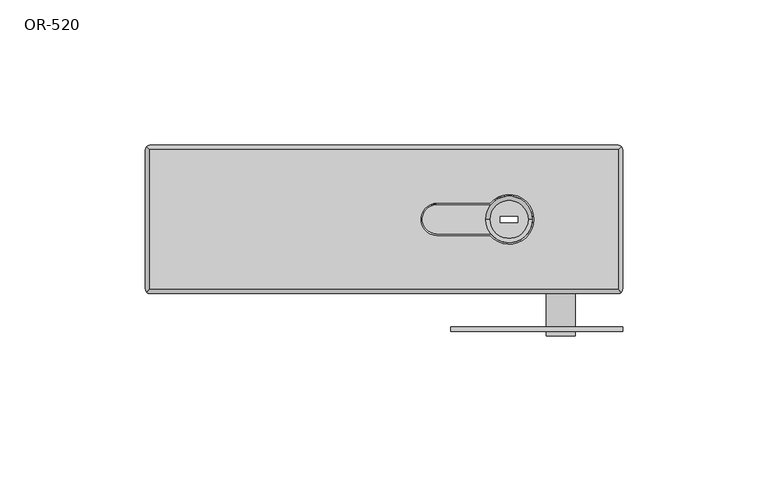
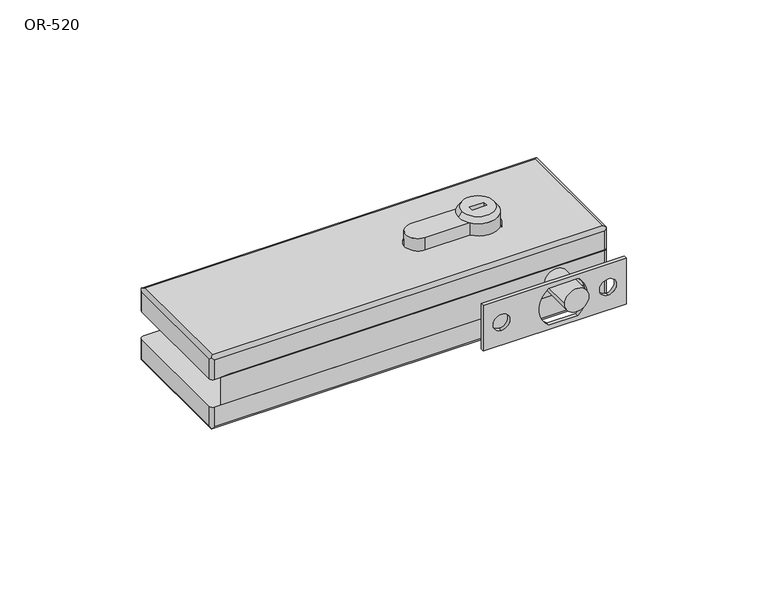
"""IFC4 building model written with IfcOpenShell, lengths in millimetres: proxy geometry, OR-520."""

import ifcopenshell
import ifcopenshell.guid

model = None  # the IFC model being written
_history = None  # IfcOwnerHistory: only IFC2X3 demands one
_inside = {}  # id of a spatial element -> (the spatial element, [elements in it])
_under = {}  # id of a project, library or spatial element -> (it, [spatial elements below it])
_declared = {}  # id of a project -> (the project, [libraries it declares])
_typed = {}  # id of a type object -> (the type object, [elements of that type])
_made_of = {}  # id of a material, layer set ... -> (it, [elements and type objects made of it])


def new_model(schema):
    """Start an empty IFC model of exactly this schema.

    Asked for "IFC4X3", IfcOpenShell would pick the latest addendum, in which some entities
    have other attributes; the version numbers below select the first issue.
    IFC2X3 requires an IfcOwnerHistory on every rooted entity: one is made here for all.
    """
    global model, _history
    if schema == "IFC4X3":
        model = ifcopenshell.file(schema_version=(4, 3, 0, 0))
    else:
        model = ifcopenshell.file(schema=schema)
    _inside.clear()
    _under.clear()
    _declared.clear()
    _typed.clear()
    _made_of.clear()
    _history = None
    if model.schema == "IFC2X3":
        org = make("IfcOrganization", Name="unknown")
        user = make(
            "IfcPersonAndOrganization",
            ThePerson=make("IfcPerson", FamilyName="unknown"),
            TheOrganization=org,
        )
        app = make(
            "IfcApplication",
            ApplicationDeveloper=org,
            Version="unknown",
            ApplicationFullName="unknown",
            ApplicationIdentifier="unknown",
        )
        _history = make(
            "IfcOwnerHistory",
            OwningUser=user,
            OwningApplication=app,
            ChangeAction="ADDED",
            CreationDate=0,
        )
    return model


def make(cls, **values):
    """One entity of the class cls with the attributes given. An attribute that is None is left unset."""
    return model.create_entity(
        cls, **{name: value for name, value in values.items() if value is not None}
    )


def rooted(cls, **values):
    """An entity with a GlobalId (a new one), such as an element, a storey or a relation."""
    return make(cls, GlobalId=ifcopenshell.guid.new(), OwnerHistory=_history, **values)


def si_unit(unit_type, name, prefix=None):
    """IfcSIUnit, for example si_unit("LENGTHUNIT", "METRE", prefix="MILLI")."""
    return make("IfcSIUnit", UnitType=unit_type, Prefix=prefix, Name=name)


def assignment(units):
    """IfcUnitAssignment: the units of a project."""
    return None if units is None else make("IfcUnitAssignment", Units=units)


def point(xyz):
    """IfcCartesianPoint."""
    return None if xyz is None else make("IfcCartesianPoint", Coordinates=xyz)


def direction(xyz):
    """IfcDirection."""
    return None if xyz is None else make("IfcDirection", DirectionRatios=xyz)


def frame(location, z_axis=None, x_axis=None):
    """IfcAxis2Placement3D, a coordinate frame: its origin and axes. An axis left out is left unset."""
    return make(
        "IfcAxis2Placement3D",
        Location=point(location),
        Axis=direction(z_axis),
        RefDirection=direction(x_axis),
    )


def frame_2d(location, x_axis=None):
    """IfcAxis2Placement2D, a coordinate frame in the plane: its origin and x axis."""
    return make(
        "IfcAxis2Placement2D", Location=point(location), RefDirection=direction(x_axis)
    )


def origin():
    """The frame at (0, 0, 0) with its axes left unset."""
    return frame((0.0, 0.0, 0.0))


def place(relative_to, where):
    """IfcLocalPlacement: puts the frame where relative to a parent placement (None: the world)."""
    return make(
        "IfcLocalPlacement", PlacementRelTo=relative_to, RelativePlacement=where
    )


def context(
    kind, dimensions, precision=None, world=None, true_north=None, identifier=None
):
    """IfcGeometricRepresentationContext, for example the 3D "Model" context."""
    return make(
        "IfcGeometricRepresentationContext",
        ContextIdentifier=identifier,
        ContextType=kind,
        CoordinateSpaceDimension=dimensions,
        Precision=precision,
        WorldCoordinateSystem=world,
        TrueNorth=true_north,
    )


def project(units=None, contexts=None):
    """IfcProject with its units and contexts."""
    return rooted(
        "IfcProject",
        Name="project",
        RepresentationContexts=contexts,
        UnitsInContext=assignment(units),
    )


def spatial(cls, under=None, at=None, **own):
    """A site, building, storey or space (cls), placed at a placement, below another one or the project."""
    s = rooted(cls, ObjectPlacement=at, **own)
    if under is not None:
        _under.setdefault(under.id(), (under, []))[1].append(s)
    return s


def polyline(points):
    """IfcPolyline through the points."""
    return make("IfcPolyline", Points=[point(p) for p in points])


def circle_curve(where, radius):
    """IfcCircle in the frame where."""
    return make("IfcCircle", Position=where, Radius=radius)


def ellipse_curve(where, semi_axis1, semi_axis2):
    """IfcEllipse in the frame where."""
    return make(
        "IfcEllipse", Position=where, SemiAxis1=semi_axis1, SemiAxis2=semi_axis2
    )


def trimmed(basis, trim1, trim2, sense, master):
    """IfcTrimmedCurve: the piece of a basis curve between two trims."""
    return make(
        "IfcTrimmedCurve",
        BasisCurve=basis,
        Trim1=trim1,
        Trim2=trim2,
        SenseAgreement=sense,
        MasterRepresentation=master,
    )


def segment(curve, same_sense, transition):
    """IfcCompositeCurveSegment."""
    return make(
        "IfcCompositeCurveSegment",
        Transition=transition,
        SameSense=same_sense,
        ParentCurve=curve,
    )


def composite_curve(segments, self_intersect=None):
    """IfcCompositeCurve: segments joined end to end."""
    return make("IfcCompositeCurve", Segments=segments, SelfIntersect=self_intersect)


def outline(outer, holes=None, kind="AREA"):
    """IfcArbitraryClosedProfileDef: a profile drawn as a closed curve; with holes, ...WithVoids."""
    if holes is None:
        return make("IfcArbitraryClosedProfileDef", ProfileType=kind, OuterCurve=outer)
    return make(
        "IfcArbitraryProfileDefWithVoids",
        ProfileType=kind,
        OuterCurve=outer,
        InnerCurves=holes,
    )


def extrude(swept, where, along, depth):
    """IfcExtrudedAreaSolid: the profile swept, set in the frame where, extruded along a direction by depth."""
    return make(
        "IfcExtrudedAreaSolid",
        SweptArea=swept,
        Position=where,
        ExtrudedDirection=direction(along),
        Depth=depth,
    )


def shape(context_of_items, identifier, shape_type, items):
    """IfcShapeRepresentation: the items that make up one representation, for example the "Body"."""
    return make(
        "IfcShapeRepresentation",
        ContextOfItems=context_of_items,
        RepresentationIdentifier=identifier,
        RepresentationType=shape_type,
        Items=items,
    )


def source(mapping_origin, context_of_items, identifier, shape_type, items):
    """IfcRepresentationMap: a shape defined once, which mapped items show again and again."""
    return make(
        "IfcRepresentationMap",
        MappingOrigin=mapping_origin,
        MappedRepresentation=shape(context_of_items, identifier, shape_type, items),
    )


def transform(
    local_origin,
    x_axis=None,
    y_axis=None,
    z_axis=None,
    scale=None,
    scale2=None,
    scale3=None,
    uniform=True,
):
    """IfcCartesianTransformationOperator3D, or its non-uniform kind. x_axis, y_axis, z_axis: its Axis1, 2, 3."""
    if uniform:
        return make(
            "IfcCartesianTransformationOperator3D",
            Axis1=direction(x_axis),
            Axis2=direction(y_axis),
            LocalOrigin=point(local_origin),
            Scale=scale,
            Axis3=direction(z_axis),
        )
    return make(
        "IfcCartesianTransformationOperator3DnonUniform",
        Axis1=direction(x_axis),
        Axis2=direction(y_axis),
        LocalOrigin=point(local_origin),
        Scale=scale,
        Axis3=direction(z_axis),
        Scale2=scale2,
        Scale3=scale3,
    )


def mapped(mapping_source, mapping_target):
    """IfcMappedItem: shows the shape of a source again, moved by a transform."""
    return make(
        "IfcMappedItem", MappingSource=mapping_source, MappingTarget=mapping_target
    )


def made_of(thing, what):
    """Note that an element or type object is made of a material, layer set ...; save() writes the relation."""
    if what is not None:
        _made_of.setdefault(what.id(), (what, []))[1].append(thing)
    return thing


def element(
    cls,
    number,
    at=None,
    inside=None,
    cuts=None,
    type_object=None,
    material=None,
    context=None,
    identifier="Body",
    shape_type=None,
    held_by="IfcProductDefinitionShape",
    body=None,
    shapes=None,
    **own,
):
    """One element of the class cls, such as IfcWall. Its Tag is "e" and its number.

    at: its placement. inside: the storey or other place that contains it. cuts: it is an
    opening in that element (IfcRelVoidsElement). A single representation is given by context,
    identifier, shape_type and body (its items); several are given by shapes. held_by: the class
    of the entity that holds the representations. save() writes the other relations.
    """
    e = rooted(cls, Tag="e%d" % number, ObjectPlacement=at, **own)
    if body is not None:
        shapes = [shape(context, identifier, shape_type, body)]
    if shapes is not None:
        e.Representation = make(held_by, Representations=shapes)
    if inside is not None:
        _inside.setdefault(inside.id(), (inside, []))[1].append(e)
    if cuts is not None:
        rooted(
            "IfcRelVoidsElement", RelatingBuildingElement=cuts, RelatedOpeningElement=e
        )
    if type_object is not None:
        _typed.setdefault(type_object.id(), (type_object, []))[1].append(e)
    return made_of(e, material)


def aggregate(whole, parts):
    """IfcRelAggregates: a whole, such as a stair, and the parts it consists of."""
    return rooted("IfcRelAggregates", RelatingObject=whole, RelatedObjects=parts)


def save(model, path):
    """Write the relations noted so far, then the file.

    IfcRelAggregates (storeys below a building ...), IfcRelContainedInSpatialStructure (elements
    in a storey), IfcRelDefinesByType, IfcRelAssociatesMaterial and IfcRelDeclares: one each for
    every whole, place, type object, material and project.
    """
    for whole, parts in _under.values():
        aggregate(whole, parts)
    for where, things in _inside.values():
        rooted(
            "IfcRelContainedInSpatialStructure",
            RelatedElements=things,
            RelatingStructure=where,
        )
    for kind, things in _typed.values():
        rooted("IfcRelDefinesByType", RelatedObjects=things, RelatingType=kind)
    for what, things in _made_of.values():
        rooted("IfcRelAssociatesMaterial", RelatedObjects=things, RelatingMaterial=what)
    for by, libraries in _declared.values():
        rooted("IfcRelDeclares", RelatingContext=by, RelatedDefinitions=libraries)
    model.write(path)


def plane_surface(at):
    """IfcPlane: the flat surface through the origin of the frame at, square to its z axis."""
    return make("IfcPlane", Position=at)


def cylinder_surface(at, radius):
    """IfcCylindricalSurface: all points at the distance radius from the z axis of the frame at."""
    return make("IfcCylindricalSurface", Position=at, Radius=radius)


def revolved_surface(curve, axis_point, axis_direction):
    """IfcSurfaceOfRevolution: the curve turned about the line through axis_point along axis_direction."""
    return make(
        "IfcSurfaceOfRevolution",
        SweptCurve=make("IfcArbitraryOpenProfileDef", ProfileType="CURVE", Curve=curve),
        AxisPosition=make("IfcAxis1Placement", Location=point(axis_point), Axis=direction(axis_direction)),
    )


def advanced_brep(points, edges, surfaces, faces):
    """IfcAdvancedBrep: a solid bounded by faces that lie on surfaces and meet in shared edges.

    An edge is (start, end): straight between two places in points (the first is 0);
    or (start, end, curve); or (start, end, curve, False) where it runs against its curve.
    A face is (place in surfaces, loops), or (place, loops, False) where it looks against
    its surface's normal. A loop lists edges by number (the first is 1), with a minus sign
    where the edge is run from its end to its start. The first loop is the outer one.
    """
    corners = [point(p) for p in points]
    vertices = [make("IfcVertexPoint", VertexGeometry=c) for c in corners]
    made = []
    for start, end, *more in edges:
        made.append(
            make(
                "IfcEdgeCurve",
                EdgeStart=vertices[start],
                EdgeEnd=vertices[end],
                EdgeGeometry=more[0] if more else make("IfcPolyline", Points=[corners[start], corners[end]]),
                SameSense=more[1] if len(more) > 1 else True,
            )
        )
    hull = []
    for where, loops, *sense in faces:
        bounds = []
        for j, loop in enumerate(loops):
            ring = [make("IfcOrientedEdge", EdgeElement=made[abs(k) - 1], Orientation=k > 0) for k in loop]
            bounds.append(
                make(
                    "IfcFaceOuterBound" if j == 0 else "IfcFaceBound",
                    Bound=make("IfcEdgeLoop", EdgeList=ring),
                    Orientation=True,
                )
            )
        hull.append(make("IfcAdvancedFace", Bounds=bounds, FaceSurface=surfaces[where], SameSense=sense[0] if sense else True))
    return make("IfcAdvancedBrep", Outer=make("IfcClosedShell", CfsFaces=hull))


def or_520_e2d5bc7b(model_context):
    return source(origin(), model_context, "Body", "SolidModel", [
        extrude(outline(polyline([(-16.0, 81.0), (4.0, 81.0), (4.0, 22.0), (-16.0, 22.0), (-16.0, 81.0)]), holes=[composite_curve([segment(trimmed(circle_curve(frame_2d((-6.0, 29.5)), 3.5), [point((-2.5, 29.5))], [point((-9.5, 29.5))], True, "CARTESIAN"), True, "CONTINUOUS"), segment(trimmed(circle_curve(frame_2d((-6.0, 29.5)), 3.5), [point((-9.5, 29.5))], [point((-2.5, 29.5))], True, "CARTESIAN"), True, "CONTINUOUS")], self_intersect=False), composite_curve([segment(trimmed(circle_curve(frame_2d((-6.0, 73.5)), 3.5), [point((-2.5, 73.5))], [point((-9.5, 73.5))], True, "CARTESIAN"), True, "CONTINUOUS"), segment(trimmed(circle_curve(frame_2d((-6.0, 73.5)), 3.5), [point((-9.5, 73.5))], [point((-2.5, 73.5))], True, "CARTESIAN"), True, "CONTINUOUS")], self_intersect=False), composite_curve([segment(trimmed(circle_curve(frame_2d((-6.0, 55.0)), 10.0), [point((2.0, 61.0))], [point((-14.0, 61.0))], True, "CARTESIAN"), True, "CONTINUOUS"), segment(polyline([(-14.0, 61.0), (-14.0, 49.0)]), True, "CONTINUOUS"), segment(trimmed(circle_curve(frame_2d((-6.0, 55.0)), 10.0), [point((-14.0, 49.0))], [point((2.0, 49.0))], True, "CARTESIAN"), True, "CONTINUOUS"), segment(polyline([(2.0, 49.0), (2.0, 61.0)]), True, "CONTINUOUS")], self_intersect=False)]), frame((0.0, -38.5, 0.0), z_axis=(0.0, 1.0, 0.0), x_axis=(0.0, 0.0, 1.0)), (0.0, 0.0, 1.0), 1.5),
        extrude(outline(composite_curve([segment(trimmed(circle_curve(frame_2d((-6.0, 59.7012095)), 5.0), [point((-6.0, 54.7012095))], [point((-6.0, 64.7012095))], False, "CARTESIAN"), True, "CONTINUOUS"), segment(trimmed(circle_curve(frame_2d((-6.0, 59.7012095)), 5.0), [point((-6.0, 64.7012095))], [point((-6.0, 54.7012095))], False, "CARTESIAN"), True, "CONTINUOUS")], self_intersect=False)), frame((0.0, -40.0, 0.0), z_axis=(0.0, 1.0, 0.0), x_axis=(0.0, 0.0, 1.0)), (0.0, 0.0, 1.0), 14.5),
        advanced_brep(
        [(42.0, 6.5, -32.0), (42.0, -6.5, -32.0), (45.0, 1.0, -32.0), (39.0, 1.0, -32.0), (39.0, -1.0, -32.0), (45.0, -1.0, -32.0), (42.0, 8.0, -30.0), (42.0, -8.0, -30.0), (39.0, 1.0, -30.0), (45.0, 1.0, -30.0), (45.0, -1.0, -30.0), (39.0, -1.0, -30.0)],
        [
            (0, 1, circle_curve(frame((42.0, 0.0, -32.0), z_axis=(0.0, 0.0, -1.0), x_axis=(0.0, 1.0, 0.0)), 6.5)),
            (1, 0, circle_curve(frame((42.0, 0.0, -32.0), z_axis=(0.0, 0.0, -1.0), x_axis=(0.0, -1.0, 0.0)), 6.5)),
            (2, 3),
            (3, 4),
            (4, 5),
            (5, 2),
            (6, 7, circle_curve(frame((42.0, 0.0, -30.0), z_axis=(0.0, 0.0, 1.0), x_axis=(0.0, -1.0, 0.0)), 8.0)),
            (7, 6, circle_curve(frame((42.0, 0.0, -30.0), z_axis=(0.0, 0.0, 1.0), x_axis=(0.0, 1.0, 0.0)), 8.0)),
            (8, 9),
            (9, 10),
            (10, 11),
            (11, 8),
            (1, 7),
            (6, 0),
            (2, 9),
            (8, 3),
            (11, 4),
            (10, 5),
        ],
        [
            plane_surface(frame((42.0, 0.0, -32.0), z_axis=(0.0, 0.0, -1.0), x_axis=(-1.0, 0.0, 0.0))),
            plane_surface(frame((42.0, 0.0, -30.0), z_axis=(0.0, 0.0, 1.0), x_axis=(-1.0, 0.0, 0.0))),
            revolved_surface(polyline([(42.0, -6.5000000046875, -32.0), (42.0, -8.0, -30.0)]), (42.0, 0.0, -40.6666667), (0.0, 0.0, 1.0)),
            revolved_surface(polyline([(42.0, 6.5000000046875, -32.0), (42.0, 8.0, -30.0)]), (42.0, 0.0, -40.6666667), (0.0, 0.0, 1.0)),
            plane_surface(frame((45.0, 1.0, 17.0), z_axis=(0.0, -1.0, 0.0), x_axis=(0.0, 0.0, -1.0))),
            plane_surface(frame((39.0, 1.0, 17.0), z_axis=(1.0, 0.0, 0.0), x_axis=(0.0, 0.0, -1.0))),
            plane_surface(frame((39.0, -1.0, 17.0), z_axis=(0.0, 1.0, 0.0), x_axis=(0.0, 0.0, -1.0))),
            plane_surface(frame((45.0, -1.0, 17.0), z_axis=(-1.0, 0.0, 0.0), x_axis=(0.0, 0.0, -1.0))),
        ],
        [
            (0, [[1, 2], [3, 4, 5, 6]]),
            (1, [[7, 8], [9, 10, 11, 12]]),
            (2, [[-2, 13, -7, 14]]),
            (3, [[-1, -14, -8, -13]]),
            (4, [[15, -9, 16, -3]]),
            (5, [[-16, -12, 17, -4]]),
            (6, [[-17, -11, 18, -5]]),
            (7, [[-15, -6, -18, -10]]),
        ],
    ),
        advanced_brep(
        [(35.5, 0.0, 17.0), (48.5, 0.0, 17.0), (39.0, 1.0, 17.0), (45.0, 1.0, 17.0), (45.0, -1.0, 17.0), (39.0, -1.0, 17.0), (34.0, 0.0, 15.0), (50.0, 0.0, 15.0), (45.0, 1.0, 15.0), (39.0, 1.0, 15.0), (39.0, -1.0, 15.0), (45.0, -1.0, 15.0)],
        [
            (0, 1, circle_curve(frame((42.0, 0.0, 17.0), z_axis=(0.0, 0.0, 1.0), x_axis=(-1.0, 0.0, 0.0)), 6.5)),
            (1, 0, circle_curve(frame((42.0, 0.0, 17.0), z_axis=(0.0, 0.0, 1.0), x_axis=(1.0, 0.0, 0.0)), 6.5)),
            (2, 3),
            (3, 4),
            (4, 5),
            (5, 2),
            (6, 7, circle_curve(frame((42.0, 0.0, 15.0), z_axis=(0.0, 0.0, -1.0), x_axis=(1.0, 0.0, 0.0)), 8.0)),
            (7, 6, circle_curve(frame((42.0, 0.0, 15.0), z_axis=(0.0, 0.0, -1.0), x_axis=(-1.0, 0.0, 0.0)), 8.0)),
            (8, 9),
            (9, 10),
            (10, 11),
            (11, 8),
            (0, 6),
            (7, 1),
            (8, 3),
            (2, 9),
            (5, 10),
            (4, 11),
        ],
        [
            plane_surface(frame((42.0, 0.0, 17.0), z_axis=(0.0, 0.0, 1.0), x_axis=(0.0, -1.0, 0.0))),
            plane_surface(frame((42.0, 0.0, 15.0), z_axis=(0.0, 0.0, -1.0), x_axis=(0.0, -1.0, 0.0))),
            revolved_surface(polyline([(35.4999999953125, 0.0, 17.0), (34.0, 0.0, 15.0)]), (42.0, 0.0, 25.6666667), (0.0, 0.0, -1.0)),
            revolved_surface(polyline([(48.5000000046875, 0.0, 17.0), (50.0, 0.0, 15.0)]), (42.0, 0.0, 25.6666667), (0.0, 0.0, -1.0)),
            plane_surface(frame((45.0, 1.0, 17.0), z_axis=(0.0, -1.0, 0.0), x_axis=(0.0, 0.0, -1.0))),
            plane_surface(frame((39.0, 1.0, 17.0), z_axis=(1.0, 0.0, 0.0), x_axis=(0.0, 0.0, -1.0))),
            plane_surface(frame((39.0, -1.0, 17.0), z_axis=(0.0, 1.0, 0.0), x_axis=(0.0, 0.0, -1.0))),
            plane_surface(frame((45.0, -1.0, 17.0), z_axis=(-1.0, 0.0, 0.0), x_axis=(0.0, 0.0, -1.0))),
        ],
        [
            (0, [[1, 2], [3, 4, 5, 6]]),
            (1, [[7, 8], [9, 10, 11, 12]]),
            (2, [[-1, 13, -8, 14]]),
            (3, [[-2, -14, -7, -13]]),
            (4, [[15, -3, 16, -9]]),
            (5, [[-16, -6, 17, -10]]),
            (6, [[-17, -5, 18, -11]]),
            (7, [[-15, -12, -18, -4]]),
        ],
    ),
        extrude(outline(composite_curve([segment(polyline([(17.2, 5.0), (35.755002, 5.0)]), True, "CONTINUOUS"), segment(trimmed(circle_curve(frame_2d((42.0, 0.0)), 8.0), [point((35.755002, 5.0))], [point((35.755002, -5.0))], False, "CARTESIAN"), True, "CONTINUOUS"), segment(polyline([(35.755002, -5.0), (17.2, -5.0)]), True, "CONTINUOUS"), segment(trimmed(circle_curve(frame_2d((17.2, 0.0)), 5.0), [point((17.2, -5.0))], [point((17.2, 5.0))], False, "CARTESIAN"), True, "CONTINUOUS")], self_intersect=False), holes=[polyline([(45.0, 1.0), (39.0, 1.0), (39.0, -1.0), (45.0, -1.0), (45.0, 1.0)])]), frame((0.0, 0.0, -30.0), z_axis=(0.0, 0.0, 1.0), x_axis=(1.0, 0.0, 0.0)), (0.0, 0.0, 1.0), 45.0),
        advanced_brep(
        [(13.9895431, 11.5199676, 0.0), (-40.1444524, -9.5726166, 0.0), (-79.0, -25.5, 0.0), (79.5, -25.5, 0.0), (81.0, -24.0, 0.0), (81.0, 11.5199676, 0.0), (17.2, 5.5, 0.0), (35.5192593, 5.5, 0.0), (35.5192593, -5.5, 0.0), (17.2, -5.5, 0.0), (13.9895431, 11.5199676, -12.0), (81.0, 11.5199676, -12.0), (81.0, -24.0, -12.0), (79.5, -25.5, -12.0), (-79.0, -25.5, -12.0), (-40.1444524, -9.5726166, -12.0), (35.5192593, 5.5, -12.0), (17.2, 5.5, -12.0), (17.2, -5.5, -12.0), (35.5192593, -5.5, -12.0)],
        [
            (0, 1, circle_curve(frame((13.9895431, -68.4936178, 0.0), z_axis=(0.0, 0.0, 1.0), x_axis=(1.0, 0.0, 0.0)), 80.0135854)),
            (1, 2, circle_curve(frame((-78.8529269, 29.4998034, 0.0), z_axis=(0.0, 0.0, -1.0), x_axis=(1.0, 0.0, 0.0)), 55.0)),
            (2, 3),
            (3, 4, circle_curve(frame((79.5, -24.0, 0.0), z_axis=(0.0, 0.0, 1.0), x_axis=(0.0, 1.0, 0.0)), 1.5)),
            (4, 5),
            (5, 0),
            (6, 7),
            (7, 8, circle_curve(frame((42.0, 0.0, 0.0), z_axis=(0.0, 0.0, -1.0), x_axis=(1.0, 0.0, 0.0)), 8.5)),
            (8, 9),
            (9, 6, circle_curve(frame((17.2, 0.0, 0.0), z_axis=(0.0, 0.0, -1.0), x_axis=(1.0, 0.0, 0.0)), 5.5)),
            (10, 11),
            (11, 12),
            (12, 13, circle_curve(frame((79.5, -24.0, -12.0), z_axis=(0.0, 0.0, -1.0), x_axis=(0.0, 1.0, 0.0)), 1.5)),
            (13, 14),
            (14, 15, circle_curve(frame((-78.8529269, 29.4998034, -12.0), z_axis=(0.0, 0.0, 1.0), x_axis=(1.0, 0.0, 0.0)), 55.0)),
            (15, 10, circle_curve(frame((13.9895431, -68.4936178, -12.0), z_axis=(0.0, 0.0, -1.0), x_axis=(1.0, 0.0, 0.0)), 80.0135854)),
            (16, 17),
            (17, 18, circle_curve(frame((17.2, 0.0, -12.0), z_axis=(0.0, 0.0, 1.0), x_axis=(1.0, 0.0, 0.0)), 5.5)),
            (18, 19),
            (19, 16, circle_curve(frame((42.0, 0.0, -12.0), z_axis=(0.0, 0.0, 1.0), x_axis=(1.0, 0.0, 0.0)), 8.5)),
            (5, 11),
            (10, 0),
            (4, 12),
            (2, 14),
            (13, 3),
            (1, 15),
            (16, 7),
            (6, 17),
            (9, 18),
            (8, 19),
        ],
        [
            plane_surface(frame((94.0031285, -68.4936178, 0.0), z_axis=(0.0, 0.0, 1.0), x_axis=(0.0, 1.0, 0.0))),
            plane_surface(frame((94.0031285, -68.4936178, -12.0), z_axis=(0.0, 0.0, -1.0), x_axis=(0.0, -1.0, 0.0))),
            plane_surface(frame((81.0, 11.5199676, 0.0), z_axis=(0.0, 1.0, 0.0), x_axis=(0.0, 0.0, -1.0))),
            plane_surface(frame((81.0, -25.5, 0.0), z_axis=(1.0, 0.0, 0.0), x_axis=(0.0, 0.0, -1.0))),
            plane_surface(frame((-79.0, -25.5, 0.0), z_axis=(0.0, -1.0, 0.0), x_axis=(0.0, 0.0, -1.0))),
            revolved_surface(polyline([(-23.8529269, 29.4998034, -12.0), (-23.8529269, 29.4998034, 0.0)]), (-78.8529269, 29.4998034, -12.0), (0.0, 0.0, -1.0)),
            cylinder_surface(frame((13.9895431, -68.4936178, -12.0), z_axis=(0.0, 0.0, 1.0), x_axis=(1.0, 0.0, 0.0)), 80.0135854),
            plane_surface(frame((35.5192593, 5.5, 10.0), z_axis=(0.0, -1.0, 0.0), x_axis=(0.0, 0.0, -1.0))),
            revolved_surface(polyline([(22.7, 0.0, 0.0), (22.7, 0.0, -12.0)]), (17.2, 0.0, -22.0), (0.0, 0.0, 1.0)),
            plane_surface(frame((17.2, -5.5, 10.0), z_axis=(0.0, 1.0, 0.0), x_axis=(0.0, 0.0, -1.0))),
            revolved_surface(polyline([(50.5, 0.0, 0.0), (50.5, 0.0, -12.0)]), (42.0, 0.0, -22.0), (0.0, 0.0, 1.0)),
            cylinder_surface(frame((79.5, -24.0, -12.0), z_axis=(0.0, 0.0, 1.0), x_axis=(0.0, 1.0, 0.0)), 1.5),
        ],
        [
            (0, [[1, 2, 3, 4, 5, 6], [7, 8, 9, 10]]),
            (1, [[11, 12, 13, 14, 15, 16], [17, 18, 19, 20]]),
            (2, [[-6, 21, -11, 22]]),
            (3, [[-21, -5, 23, -12]]),
            (4, [[24, -14, 25, -3]]),
            (5, [[-2, 26, -15, -24]]),
            (6, [[-1, -22, -16, -26]]),
            (7, [[27, -7, 28, -17]]),
            (8, [[-28, -10, 29, -18]]),
            (9, [[-29, -9, 30, -19]]),
            (10, [[-27, -20, -30, -8]]),
            (11, [[-4, -25, -13, -23]]),
        ],
    ),
        advanced_brep(
        [(81.0, -24.0, -12.0), (81.0, 24.0, -12.0), (79.5, 25.5, -12.0), (-81.5, 25.5, -12.0), (-83.0, 24.0, -12.0), (-83.0, -24.0, -12.0), (-81.5, -25.5, -12.0), (79.5, -25.5, -12.0), (17.2, 5.5, -12.0), (35.5192593, 5.5, -12.0), (35.5192593, -5.5, -12.0), (17.2, -5.5, -12.0), (79.5, 24.0, -22.0), (79.5, -24.0, -22.0), (-81.5, -24.0, -22.0), (-81.5, 24.0, -22.0), (35.5192593, 5.5, -22.0), (17.2, 5.5, -22.0), (17.2, -5.5, -22.0), (35.5192593, -5.5, -22.0), (-81.5, -25.5, -20.5), (79.5, -25.5, -20.5), (-83.0, 24.0, -20.5), (-83.0, -24.0, -20.5), (79.5, 25.5, -20.5), (-81.5, 25.5, -20.5), (81.0, -24.0, -20.5), (81.0, 24.0, -20.5), (80.5606602, 25.0606602, -21.5606602), (80.5606602, -25.0606602, -21.5606602), (-82.5606602, 25.0606602, -21.5606602), (-82.5606602, -25.0606602, -21.5606602)],
        [
            (0, 1),
            (1, 2, circle_curve(frame((79.5, 24.0, -12.0), z_axis=(0.0, 0.0, 1.0), x_axis=(0.0, 1.0, 0.0)), 1.5)),
            (2, 3),
            (3, 4, circle_curve(frame((-81.5, 24.0, -12.0), z_axis=(0.0, 0.0, 1.0), x_axis=(0.0, 1.0, 0.0)), 1.5)),
            (4, 5),
            (5, 6, circle_curve(frame((-81.5, -24.0, -12.0), z_axis=(0.0, 0.0, 1.0), x_axis=(0.0, 1.0, 0.0)), 1.5)),
            (6, 7),
            (7, 0, circle_curve(frame((79.5, -24.0, -12.0), z_axis=(0.0, 0.0, 1.0), x_axis=(0.0, 1.0, 0.0)), 1.5)),
            (8, 9),
            (9, 10, circle_curve(frame((42.0, 0.0, -12.0), z_axis=(0.0, 0.0, -1.0), x_axis=(1.0, 0.0, 0.0)), 8.5)),
            (10, 11),
            (11, 8, circle_curve(frame((17.2, 0.0, -12.0), z_axis=(0.0, 0.0, -1.0), x_axis=(1.0, 0.0, 0.0)), 5.5)),
            (12, 13),
            (13, 14),
            (14, 15),
            (15, 12),
            (16, 17),
            (17, 18, circle_curve(frame((17.2, 0.0, -22.0), z_axis=(0.0, 0.0, 1.0), x_axis=(1.0, 0.0, 0.0)), 5.5)),
            (18, 19),
            (19, 16, circle_curve(frame((42.0, 0.0, -22.0), z_axis=(0.0, 0.0, 1.0), x_axis=(1.0, 0.0, 0.0)), 8.5)),
            (6, 20),
            (20, 21),
            (21, 7),
            (4, 22),
            (22, 23),
            (23, 5),
            (2, 24),
            (24, 25),
            (25, 3),
            (0, 26),
            (26, 27),
            (27, 1),
            (27, 28, ellipse_curve(frame((79.5, 24.0, -20.5), z_axis=(0.0, 0.7071067811865475, 0.7071067811865475), x_axis=(0.0, -0.7071067811865474, 0.7071067811865476)), 2.1213203, 1.5)),
            (28, 24, ellipse_curve(frame((79.5, 24.0, -20.5), z_axis=(0.7071067811865475, 0.0, 0.7071067811865475), x_axis=(-0.7071067811865474, 0.0, 0.7071067811865476)), 2.1213203, 1.5)),
            (21, 29, ellipse_curve(frame((79.5, -24.0, -20.5), z_axis=(0.7071067811865475, 0.0, 0.7071067811865475), x_axis=(-0.7071067811865474, 0.0, 0.7071067811865476)), 2.1213203, 1.5)),
            (29, 26, ellipse_curve(frame((79.5, -24.0, -20.5), z_axis=(0.0, -0.7071067811865475, 0.7071067811865475), x_axis=(0.0, 0.7071067811865474, 0.7071067811865476)), 2.1213203, 1.5)),
            (25, 30, ellipse_curve(frame((-81.5, 24.0, -20.5), z_axis=(-0.7071067811865475, 0.0, 0.7071067811865475), x_axis=(0.7071067811865474, 0.0, 0.7071067811865476)), 2.1213203, 1.5)),
            (30, 22, ellipse_curve(frame((-81.5, 24.0, -20.5), z_axis=(0.0, 0.7071067811865475, 0.7071067811865475), x_axis=(0.0, -0.7071067811865474, 0.7071067811865476)), 2.1213203, 1.5)),
            (23, 31, ellipse_curve(frame((-81.5, -24.0, -20.5), z_axis=(0.0, -0.7071067811865475, 0.7071067811865475), x_axis=(0.0, 0.7071067811865474, 0.7071067811865476)), 2.1213203, 1.5)),
            (31, 20, ellipse_curve(frame((-81.5, -24.0, -20.5), z_axis=(-0.7071067811865475, 0.0, 0.7071067811865475), x_axis=(0.7071067811865474, 0.0, 0.7071067811865476)), 2.1213203, 1.5)),
            (16, 9),
            (8, 17),
            (11, 18),
            (10, 19),
            (12, 28, ellipse_curve(frame((79.5, 24.0, -20.5), z_axis=(0.7071067811865475, -0.7071067811865475, 0.0), x_axis=(0.7071067811865474, 0.7071067811865476, 0.0)), 2.1213203, 1.5)),
            (29, 13, ellipse_curve(frame((79.5, -24.0, -20.5), z_axis=(0.7071067811865475, 0.7071067811865475, 0.0), x_axis=(-0.7071067811865474, 0.7071067811865476, 0.0)), 2.1213203, 1.5)),
            (15, 30, ellipse_curve(frame((-81.5, 24.0, -20.5), z_axis=(0.7071067811865475, 0.7071067811865475, 0.0), x_axis=(-0.7071067811865476, 0.7071067811865474, 0.0)), 2.1213203, 1.5)),
            (14, 31, ellipse_curve(frame((-81.5, -24.0, -20.5), z_axis=(-0.7071067811865475, 0.7071067811865475, 0.0), x_axis=(-0.7071067811865474, -0.7071067811865476, 0.0)), 2.1213203, 1.5)),
        ],
        [
            plane_surface(frame((81.0, -25.5, -12.0), z_axis=(0.0, 0.0, 1.0), x_axis=(0.0, 1.0, 0.0))),
            plane_surface(frame((81.0, -25.5, -22.0), z_axis=(0.0, 0.0, -1.0), x_axis=(0.0, -1.0, 0.0))),
            plane_surface(frame((-83.0, -25.5, -12.0), z_axis=(0.0, -1.0, 0.0), x_axis=(0.0, 0.0, -1.0))),
            plane_surface(frame((-83.0, 25.5, -12.0), z_axis=(-1.0, 0.0, 0.0), x_axis=(0.0, 0.0, -1.0))),
            plane_surface(frame((81.0, 25.5, -12.0), z_axis=(0.0, 1.0, 0.0), x_axis=(0.0, 0.0, -1.0))),
            plane_surface(frame((81.0, -25.5, -12.0), z_axis=(1.0, 0.0, 0.0), x_axis=(0.0, 0.0, -1.0))),
            cylinder_surface(frame((79.5, 24.0, 10.0), z_axis=(0.0, 0.0, 1.0), x_axis=(0.0, 1.0, 0.0)), 1.5),
            cylinder_surface(frame((79.5, -24.0, -12.0), z_axis=(0.0, 0.0, 1.0), x_axis=(0.0, 1.0, 0.0)), 1.5),
            cylinder_surface(frame((-81.5, 24.0, -12.0), z_axis=(0.0, 0.0, 1.0), x_axis=(0.0, 1.0, 0.0)), 1.5),
            cylinder_surface(frame((-81.5, -24.0, -12.0), z_axis=(0.0, 0.0, 1.0), x_axis=(0.0, 1.0, 0.0)), 1.5),
            plane_surface(frame((35.5192593, 5.5, 10.0), z_axis=(0.0, -1.0, 0.0), x_axis=(0.0, 0.0, -1.0))),
            revolved_surface(polyline([(22.7, 0.0, -12.0), (22.7, 0.0, -22.0)]), (17.2, 0.0, -22.0), (0.0, 0.0, 1.0)),
            plane_surface(frame((17.2, -5.5, 10.0), z_axis=(0.0, 1.0, 0.0), x_axis=(0.0, 0.0, -1.0))),
            revolved_surface(polyline([(50.5, 0.0, -12.0), (50.5, 0.0, -22.0)]), (42.0, 0.0, -22.0), (0.0, 0.0, 1.0)),
            cylinder_surface(frame((79.5, -25.5, -20.5), z_axis=(0.0, 1.0, 0.0), x_axis=(1.0, 0.0, 0.0)), 1.5),
            cylinder_surface(frame((81.0, 24.0, -20.5), z_axis=(-1.0, 0.0, 0.0), x_axis=(0.0, 1.0, 0.0)), 1.5),
            cylinder_surface(frame((-81.5, 25.5, -20.5), z_axis=(0.0, -1.0, 0.0), x_axis=(-1.0, 0.0, 0.0)), 1.5),
            cylinder_surface(frame((-83.0, -24.0, -20.5), z_axis=(1.0, 0.0, 0.0), x_axis=(0.0, -1.0, 0.0)), 1.5),
        ],
        [
            (0, [[1, 2, 3, 4, 5, 6, 7, 8], [9, 10, 11, 12]]),
            (1, [[13, 14, 15, 16], [17, 18, 19, 20]]),
            (2, [[-7, 21, 22, 23]]),
            (3, [[-5, 24, 25, 26]]),
            (4, [[-3, 27, 28, 29]]),
            (5, [[-1, 30, 31, 32]]),
            (6, [[-2, -32, 33, 34, -27]]),
            (7, [[-8, -23, 35, 36, -30]]),
            (8, [[-4, -29, 37, 38, -24]]),
            (9, [[-6, -26, 39, 40, -21]]),
            (10, [[41, -9, 42, -17]]),
            (11, [[-42, -12, 43, -18]]),
            (12, [[-43, -11, 44, -19]]),
            (13, [[-41, -20, -44, -10]]),
            (14, [[45, -33, -31, -36, 46, -13]]),
            (15, [[-45, -16, 47, -37, -28, -34]]),
            (16, [[-47, -15, 48, -39, -25, -38]]),
            (17, [[-48, -14, -46, -35, -22, -40]]),
        ],
    ),
        advanced_brep(
        [(79.5, 24.0, 10.0), (-81.5, 24.0, 10.0), (-81.5, -24.0, 10.0), (79.5, -24.0, 10.0), (17.2, 5.5, 10.0), (35.5192593, 5.5, 10.0), (35.5192593, -5.5, 10.0), (17.2, -5.5, 10.0), (79.5, -25.5, 0.0), (-81.5, -25.5, 0.0), (-83.0, -24.0, 0.0), (-83.0, 24.0, 0.0), (-81.5, 25.5, 0.0), (79.5, 25.5, 0.0), (81.0, 24.0, 0.0), (81.0, -24.0, 0.0), (35.5192593, 5.5, 0.0), (17.2, 5.5, 0.0), (17.2, -5.5, 0.0), (35.5192593, -5.5, 0.0), (79.5, -25.5, 8.5), (-81.5, -25.5, 8.5), (-83.0, -24.0, 8.5), (-83.0, 24.0, 8.5), (-81.5, 25.5, 8.5), (79.5, 25.5, 8.5), (81.0, 24.0, 8.5), (81.0, -24.0, 8.5), (80.5606602, 25.0606602, 9.5606602), (-82.5606602, 25.0606602, 9.5606602), (80.5606602, -25.0606602, 9.5606602), (-82.5606602, -25.0606602, 9.5606602)],
        [
            (0, 1),
            (1, 2),
            (2, 3),
            (3, 0),
            (4, 5),
            (5, 6, circle_curve(frame((42.0, 0.0, 10.0), z_axis=(0.0, 0.0, -1.0), x_axis=(1.0, 0.0, 0.0)), 8.5)),
            (6, 7),
            (7, 4, circle_curve(frame((17.2, 0.0, 10.0), z_axis=(0.0, 0.0, -1.0), x_axis=(1.0, 0.0, 0.0)), 5.5)),
            (8, 9),
            (9, 10, circle_curve(frame((-81.5, -24.0, 0.0), z_axis=(0.0, 0.0, -1.0), x_axis=(0.0, 1.0, 0.0)), 1.5)),
            (10, 11),
            (11, 12, circle_curve(frame((-81.5, 24.0, 0.0), z_axis=(0.0, 0.0, -1.0), x_axis=(0.0, 1.0, 0.0)), 1.5)),
            (12, 13),
            (13, 14, circle_curve(frame((79.5, 24.0, 0.0), z_axis=(0.0, 0.0, -1.0), x_axis=(0.0, 1.0, 0.0)), 1.5)),
            (14, 15),
            (15, 8, circle_curve(frame((79.5, -24.0, 0.0), z_axis=(0.0, 0.0, -1.0), x_axis=(0.0, 1.0, 0.0)), 1.5)),
            (16, 17),
            (17, 18, circle_curve(frame((17.2, 0.0, 0.0), z_axis=(0.0, 0.0, 1.0), x_axis=(1.0, 0.0, 0.0)), 5.5)),
            (18, 19),
            (19, 16, circle_curve(frame((42.0, 0.0, 0.0), z_axis=(0.0, 0.0, 1.0), x_axis=(1.0, 0.0, 0.0)), 8.5)),
            (8, 20),
            (20, 21),
            (21, 9),
            (10, 22),
            (22, 23),
            (23, 11),
            (12, 24),
            (24, 25),
            (25, 13),
            (14, 26),
            (26, 27),
            (27, 15),
            (16, 5),
            (4, 17),
            (7, 18),
            (6, 19),
            (0, 28, ellipse_curve(frame((79.5, 24.0, 8.5), z_axis=(-0.7071067811865475, 0.7071067811865475, 0.0), x_axis=(0.7071067811865476, 0.7071067811865474, 0.0)), 2.1213203, 1.5)),
            (28, 25, ellipse_curve(frame((79.5, 24.0, 8.5), z_axis=(-0.7071067811865475, 0.0, 0.7071067811865475), x_axis=(0.7071067811865476, 0.0, 0.7071067811865474)), 2.1213203, 1.5)),
            (24, 29, ellipse_curve(frame((-81.5, 24.0, 8.5), z_axis=(0.7071067811865475, 0.0, 0.7071067811865475), x_axis=(0.7071067811865476, 0.0, -0.7071067811865474)), 2.1213203, 1.5)),
            (29, 1, ellipse_curve(frame((-81.5, 24.0, 8.5), z_axis=(0.7071067811865475, 0.7071067811865475, 0.0), x_axis=(0.7071067811865476, -0.7071067811865474, 0.0)), 2.1213203, 1.5)),
            (3, 30, ellipse_curve(frame((79.5, -24.0, 8.5), z_axis=(0.7071067811865475, 0.7071067811865475, 0.0), x_axis=(0.7071067811865474, -0.7071067811865476, 0.0)), 2.1213203, 1.5)),
            (30, 27, ellipse_curve(frame((79.5, -24.0, 8.5), z_axis=(0.0, 0.7071067811865475, 0.7071067811865475), x_axis=(0.0, -0.7071067811865476, 0.7071067811865474)), 2.1213203, 1.5)),
            (26, 28, ellipse_curve(frame((79.5, 24.0, 8.5), z_axis=(0.0, -0.7071067811865475, 0.7071067811865475), x_axis=(0.0, -0.7071067811865476, -0.7071067811865474)), 2.1213203, 1.5)),
            (2, 31, ellipse_curve(frame((-81.5, -24.0, 8.5), z_axis=(0.7071067811865475, -0.7071067811865475, 0.0), x_axis=(-0.7071067811865476, -0.7071067811865474, 0.0)), 2.1213203, 1.5)),
            (31, 21, ellipse_curve(frame((-81.5, -24.0, 8.5), z_axis=(0.7071067811865475, 0.0, 0.7071067811865475), x_axis=(-0.7071067811865476, 0.0, 0.7071067811865474)), 2.1213203, 1.5)),
            (20, 30, ellipse_curve(frame((79.5, -24.0, 8.5), z_axis=(-0.7071067811865475, 0.0, 0.7071067811865475), x_axis=(-0.7071067811865476, 0.0, -0.7071067811865474)), 2.1213203, 1.5)),
            (29, 23, ellipse_curve(frame((-81.5, 24.0, 8.5), z_axis=(0.0, -0.7071067811865475, 0.7071067811865475), x_axis=(0.0, 0.7071067811865476, 0.7071067811865474)), 2.1213203, 1.5)),
            (22, 31, ellipse_curve(frame((-81.5, -24.0, 8.5), z_axis=(0.0, 0.7071067811865475, 0.7071067811865475), x_axis=(0.0, 0.7071067811865476, -0.7071067811865474)), 2.1213203, 1.5)),
        ],
        [
            plane_surface(frame((81.0, -25.5, 10.0), z_axis=(0.0, 0.0, 1.0), x_axis=(0.0, 1.0, 0.0))),
            plane_surface(frame((81.0, -25.5, 0.0), z_axis=(0.0, 0.0, -1.0), x_axis=(0.0, -1.0, 0.0))),
            plane_surface(frame((-83.0, -25.5, 10.0), z_axis=(0.0, -1.0, 0.0), x_axis=(0.0, 0.0, -1.0))),
            plane_surface(frame((-83.0, 25.5, 10.0), z_axis=(-1.0, 0.0, 0.0), x_axis=(0.0, 0.0, -1.0))),
            plane_surface(frame((81.0, 25.5, 10.0), z_axis=(0.0, 1.0, 0.0), x_axis=(0.0, 0.0, -1.0))),
            plane_surface(frame((81.0, -25.5, 10.0), z_axis=(1.0, 0.0, 0.0), x_axis=(0.0, 0.0, -1.0))),
            plane_surface(frame((35.5192593, 5.5, 10.0), z_axis=(0.0, -1.0, 0.0), x_axis=(0.0, 0.0, -1.0))),
            revolved_surface(polyline([(22.7, 0.0, 10.0), (22.7, 0.0, 0.0)]), (17.2, 0.0, -22.0), (0.0, 0.0, 1.0)),
            plane_surface(frame((17.2, -5.5, 10.0), z_axis=(0.0, 1.0, 0.0), x_axis=(0.0, 0.0, -1.0))),
            revolved_surface(polyline([(50.5, 0.0, 10.0), (50.5, 0.0, 0.0)]), (42.0, 0.0, -22.0), (0.0, 0.0, 1.0)),
            cylinder_surface(frame((-83.0, 24.0, 8.5), z_axis=(1.0, 0.0, 0.0), x_axis=(0.0, 1.0, 0.0)), 1.5),
            cylinder_surface(frame((79.5, 25.5, 8.5), z_axis=(0.0, -1.0, 0.0), x_axis=(1.0, 0.0, 0.0)), 1.5),
            cylinder_surface(frame((81.0, -24.0, 8.5), z_axis=(-1.0, 0.0, 0.0), x_axis=(0.0, -1.0, 0.0)), 1.5),
            cylinder_surface(frame((-81.5, -25.5, 8.5), z_axis=(0.0, 1.0, 0.0), x_axis=(-1.0, 0.0, 0.0)), 1.5),
            cylinder_surface(frame((79.5, 24.0, 10.0), z_axis=(0.0, 0.0, 1.0), x_axis=(0.0, 1.0, 0.0)), 1.5),
            cylinder_surface(frame((79.5, -24.0, -12.0), z_axis=(0.0, 0.0, 1.0), x_axis=(0.0, 1.0, 0.0)), 1.5),
            cylinder_surface(frame((-81.5, 24.0, -12.0), z_axis=(0.0, 0.0, 1.0), x_axis=(0.0, 1.0, 0.0)), 1.5),
            cylinder_surface(frame((-81.5, -24.0, -12.0), z_axis=(0.0, 0.0, 1.0), x_axis=(0.0, 1.0, 0.0)), 1.5),
        ],
        [
            (0, [[1, 2, 3, 4], [5, 6, 7, 8]]),
            (1, [[9, 10, 11, 12, 13, 14, 15, 16], [17, 18, 19, 20]]),
            (2, [[-9, 21, 22, 23]]),
            (3, [[-11, 24, 25, 26]]),
            (4, [[-13, 27, 28, 29]]),
            (5, [[-15, 30, 31, 32]]),
            (6, [[33, -5, 34, -17]]),
            (7, [[-34, -8, 35, -18]]),
            (8, [[-35, -7, 36, -19]]),
            (9, [[-33, -20, -36, -6]]),
            (10, [[-1, 37, 38, -28, 39, 40]]),
            (11, [[-4, 41, 42, -31, 43, -37]]),
            (12, [[-3, 44, 45, -22, 46, -41]]),
            (13, [[-2, -40, 47, -25, 48, -44]]),
            (14, [[-14, -29, -38, -43, -30]]),
            (15, [[-16, -32, -42, -46, -21]]),
            (16, [[-12, -26, -47, -39, -27]]),
            (17, [[-10, -23, -45, -48, -24]]),
        ],
    ),
    ])


if __name__ == "__main__":
    model = new_model("IFC4")
    model_context = context("Model", 3, world=origin())
    ifc_project = project(units=[si_unit("LENGTHUNIT", "METRE", prefix="MILLI")], contexts=[model_context])
    site = spatial("IfcSite", under=ifc_project)
    building = spatial("IfcBuilding", under=site)
    placement = place(None, origin())
    or_520_shape = or_520_e2d5bc7b(model_context)
    element("IfcBuildingElementProxy", 1, Name="OR-520", ObjectType="OR-520", at=placement, inside=building, context=model_context, shape_type="MappedRepresentation", body=[
        mapped(or_520_shape, transform((0.0, 0.0, 0.0), x_axis=(1.0, 0.0, 0.0), y_axis=(0.0, 1.0, 0.0), z_axis=(0.0, 0.0, 1.0))),
    ])
    save(model, "model.ifc")
